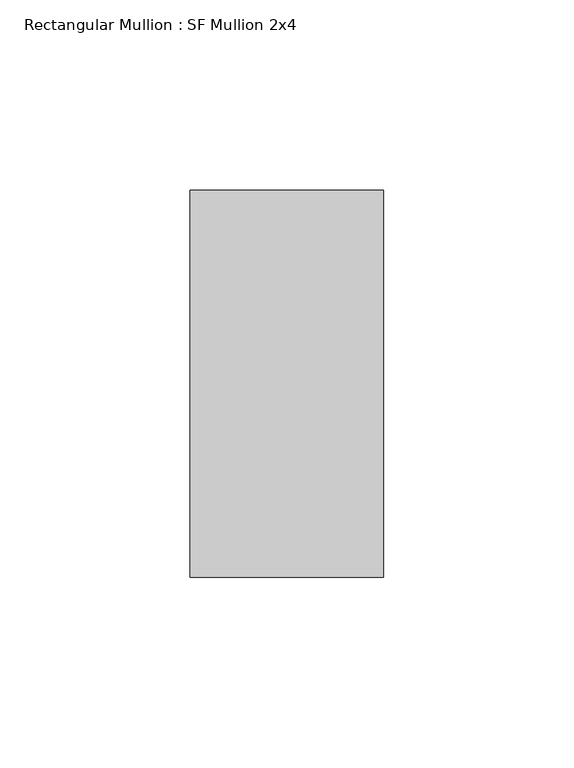
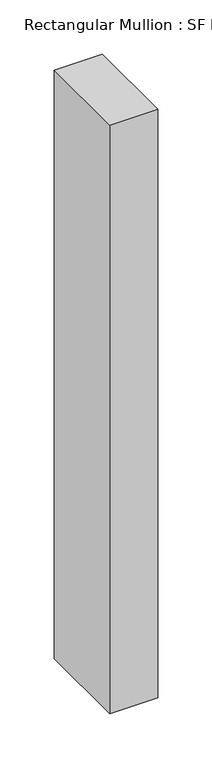
"""IFC4 building model written with IfcOpenShell, lengths in millimetres: member geometry, Rectangular Mullion : SF Mullion 2x4."""

import ifcopenshell
import ifcopenshell.guid

model = None  # the IFC model being written
_history = None  # IfcOwnerHistory: only IFC2X3 demands one
_inside = {}  # id of a spatial element -> (the spatial element, [elements in it])
_under = {}  # id of a project, library or spatial element -> (it, [spatial elements below it])
_declared = {}  # id of a project -> (the project, [libraries it declares])
_typed = {}  # id of a type object -> (the type object, [elements of that type])
_made_of = {}  # id of a material, layer set ... -> (it, [elements and type objects made of it])


def new_model(schema):
    """Start an empty IFC model of exactly this schema.

    Asked for "IFC4X3", IfcOpenShell would pick the latest addendum, in which some entities
    have other attributes; the version numbers below select the first issue.
    IFC2X3 requires an IfcOwnerHistory on every rooted entity: one is made here for all.
    """
    global model, _history
    if schema == "IFC4X3":
        model = ifcopenshell.file(schema_version=(4, 3, 0, 0))
    else:
        model = ifcopenshell.file(schema=schema)
    _inside.clear()
    _under.clear()
    _declared.clear()
    _typed.clear()
    _made_of.clear()
    _history = None
    if model.schema == "IFC2X3":
        org = make("IfcOrganization", Name="unknown")
        user = make(
            "IfcPersonAndOrganization",
            ThePerson=make("IfcPerson", FamilyName="unknown"),
            TheOrganization=org,
        )
        app = make(
            "IfcApplication",
            ApplicationDeveloper=org,
            Version="unknown",
            ApplicationFullName="unknown",
            ApplicationIdentifier="unknown",
        )
        _history = make(
            "IfcOwnerHistory",
            OwningUser=user,
            OwningApplication=app,
            ChangeAction="ADDED",
            CreationDate=0,
        )
    return model


def make(cls, **values):
    """One entity of the class cls with the attributes given. An attribute that is None is left unset."""
    return model.create_entity(
        cls, **{name: value for name, value in values.items() if value is not None}
    )


def rooted(cls, **values):
    """An entity with a GlobalId (a new one), such as an element, a storey or a relation."""
    return make(cls, GlobalId=ifcopenshell.guid.new(), OwnerHistory=_history, **values)


def si_unit(unit_type, name, prefix=None):
    """IfcSIUnit, for example si_unit("LENGTHUNIT", "METRE", prefix="MILLI")."""
    return make("IfcSIUnit", UnitType=unit_type, Prefix=prefix, Name=name)


def assignment(units):
    """IfcUnitAssignment: the units of a project."""
    return None if units is None else make("IfcUnitAssignment", Units=units)


def point(xyz):
    """IfcCartesianPoint."""
    return None if xyz is None else make("IfcCartesianPoint", Coordinates=xyz)


def direction(xyz):
    """IfcDirection."""
    return None if xyz is None else make("IfcDirection", DirectionRatios=xyz)


def frame(location, z_axis=None, x_axis=None):
    """IfcAxis2Placement3D, a coordinate frame: its origin and axes. An axis left out is left unset."""
    return make(
        "IfcAxis2Placement3D",
        Location=point(location),
        Axis=direction(z_axis),
        RefDirection=direction(x_axis),
    )


def origin():
    """The frame at (0, 0, 0) with its axes left unset."""
    return frame((0.0, 0.0, 0.0))


def place(relative_to, where):
    """IfcLocalPlacement: puts the frame where relative to a parent placement (None: the world)."""
    return make(
        "IfcLocalPlacement", PlacementRelTo=relative_to, RelativePlacement=where
    )


def context(
    kind, dimensions, precision=None, world=None, true_north=None, identifier=None
):
    """IfcGeometricRepresentationContext, for example the 3D "Model" context."""
    return make(
        "IfcGeometricRepresentationContext",
        ContextIdentifier=identifier,
        ContextType=kind,
        CoordinateSpaceDimension=dimensions,
        Precision=precision,
        WorldCoordinateSystem=world,
        TrueNorth=true_north,
    )


def project(units=None, contexts=None):
    """IfcProject with its units and contexts."""
    return rooted(
        "IfcProject",
        Name="project",
        RepresentationContexts=contexts,
        UnitsInContext=assignment(units),
    )


def spatial(cls, under=None, at=None, **own):
    """A site, building, storey or space (cls), placed at a placement, below another one or the project."""
    s = rooted(cls, ObjectPlacement=at, **own)
    if under is not None:
        _under.setdefault(under.id(), (under, []))[1].append(s)
    return s


def polyline(points):
    """IfcPolyline through the points."""
    return make("IfcPolyline", Points=[point(p) for p in points])


def outline(outer, holes=None, kind="AREA"):
    """IfcArbitraryClosedProfileDef: a profile drawn as a closed curve; with holes, ...WithVoids."""
    if holes is None:
        return make("IfcArbitraryClosedProfileDef", ProfileType=kind, OuterCurve=outer)
    return make(
        "IfcArbitraryProfileDefWithVoids",
        ProfileType=kind,
        OuterCurve=outer,
        InnerCurves=holes,
    )


def extrude(swept, where, along, depth):
    """IfcExtrudedAreaSolid: the profile swept, set in the frame where, extruded along a direction by depth."""
    return make(
        "IfcExtrudedAreaSolid",
        SweptArea=swept,
        Position=where,
        ExtrudedDirection=direction(along),
        Depth=depth,
    )


def shape(context_of_items, identifier, shape_type, items):
    """IfcShapeRepresentation: the items that make up one representation, for example the "Body"."""
    return make(
        "IfcShapeRepresentation",
        ContextOfItems=context_of_items,
        RepresentationIdentifier=identifier,
        RepresentationType=shape_type,
        Items=items,
    )


def source(mapping_origin, context_of_items, identifier, shape_type, items):
    """IfcRepresentationMap: a shape defined once, which mapped items show again and again."""
    return make(
        "IfcRepresentationMap",
        MappingOrigin=mapping_origin,
        MappedRepresentation=shape(context_of_items, identifier, shape_type, items),
    )


def transform(
    local_origin,
    x_axis=None,
    y_axis=None,
    z_axis=None,
    scale=None,
    scale2=None,
    scale3=None,
    uniform=True,
):
    """IfcCartesianTransformationOperator3D, or its non-uniform kind. x_axis, y_axis, z_axis: its Axis1, 2, 3."""
    if uniform:
        return make(
            "IfcCartesianTransformationOperator3D",
            Axis1=direction(x_axis),
            Axis2=direction(y_axis),
            LocalOrigin=point(local_origin),
            Scale=scale,
            Axis3=direction(z_axis),
        )
    return make(
        "IfcCartesianTransformationOperator3DnonUniform",
        Axis1=direction(x_axis),
        Axis2=direction(y_axis),
        LocalOrigin=point(local_origin),
        Scale=scale,
        Axis3=direction(z_axis),
        Scale2=scale2,
        Scale3=scale3,
    )


def mapped(mapping_source, mapping_target):
    """IfcMappedItem: shows the shape of a source again, moved by a transform."""
    return make(
        "IfcMappedItem", MappingSource=mapping_source, MappingTarget=mapping_target
    )


def made_of(thing, what):
    """Note that an element or type object is made of a material, layer set ...; save() writes the relation."""
    if what is not None:
        _made_of.setdefault(what.id(), (what, []))[1].append(thing)
    return thing


def element(
    cls,
    number,
    at=None,
    inside=None,
    cuts=None,
    type_object=None,
    material=None,
    context=None,
    identifier="Body",
    shape_type=None,
    held_by="IfcProductDefinitionShape",
    body=None,
    shapes=None,
    **own,
):
    """One element of the class cls, such as IfcWall. Its Tag is "e" and its number.

    at: its placement. inside: the storey or other place that contains it. cuts: it is an
    opening in that element (IfcRelVoidsElement). A single representation is given by context,
    identifier, shape_type and body (its items); several are given by shapes. held_by: the class
    of the entity that holds the representations. save() writes the other relations.
    """
    e = rooted(cls, Tag="e%d" % number, ObjectPlacement=at, **own)
    if body is not None:
        shapes = [shape(context, identifier, shape_type, body)]
    if shapes is not None:
        e.Representation = make(held_by, Representations=shapes)
    if inside is not None:
        _inside.setdefault(inside.id(), (inside, []))[1].append(e)
    if cuts is not None:
        rooted(
            "IfcRelVoidsElement", RelatingBuildingElement=cuts, RelatedOpeningElement=e
        )
    if type_object is not None:
        _typed.setdefault(type_object.id(), (type_object, []))[1].append(e)
    return made_of(e, material)


def aggregate(whole, parts):
    """IfcRelAggregates: a whole, such as a stair, and the parts it consists of."""
    return rooted("IfcRelAggregates", RelatingObject=whole, RelatedObjects=parts)


def save(model, path):
    """Write the relations noted so far, then the file.

    IfcRelAggregates (storeys below a building ...), IfcRelContainedInSpatialStructure (elements
    in a storey), IfcRelDefinesByType, IfcRelAssociatesMaterial and IfcRelDeclares: one each for
    every whole, place, type object, material and project.
    """
    for whole, parts in _under.values():
        aggregate(whole, parts)
    for where, things in _inside.values():
        rooted(
            "IfcRelContainedInSpatialStructure",
            RelatedElements=things,
            RelatingStructure=where,
        )
    for kind, things in _typed.values():
        rooted("IfcRelDefinesByType", RelatedObjects=things, RelatingType=kind)
    for what, things in _made_of.values():
        rooted("IfcRelAssociatesMaterial", RelatedObjects=things, RelatingMaterial=what)
    for by, libraries in _declared.values():
        rooted("IfcRelDeclares", RelatingContext=by, RelatedDefinitions=libraries)
    model.write(path)


def rectangular_mullion_sf_mullion_2x4_803cd32f(model_context):
    return source(origin(), model_context, "Body", "SweptSolid", [
        extrude(outline(polyline([(0.0, 50.8), (0.0, -50.8), (-50.8, -50.8), (-50.8, 50.8), (0.0, 50.8)])), frame((0.0, 0.0, -660.4), z_axis=(0.0, 0.0, 1.0), x_axis=(1.0, 0.0, 0.0)), (0.0, 0.0, 1.0), 660.4),
    ])


if __name__ == "__main__":
    model = new_model("IFC4")
    model_context = context("Model", 3, world=origin())
    ifc_project = project(units=[si_unit("LENGTHUNIT", "METRE", prefix="MILLI")], contexts=[model_context])
    site = spatial("IfcSite", under=ifc_project)
    building = spatial("IfcBuilding", under=site)
    placement = place(None, origin())
    rectangular_mullion_sf_mullion_2x4_shape = rectangular_mullion_sf_mullion_2x4_803cd32f(model_context)
    element("IfcMember", 1, ObjectType="Rectangular Mullion : SF Mullion 2x4", at=placement, inside=building, context=model_context, shape_type="MappedRepresentation", body=[
        mapped(rectangular_mullion_sf_mullion_2x4_shape, transform((0.0, 0.0, 0.0), x_axis=(1.0, 0.0, 0.0), y_axis=(0.0, 1.0, 0.0), z_axis=(0.0, 0.0, 1.0))),
    ])
    save(model, "model.ifc")
